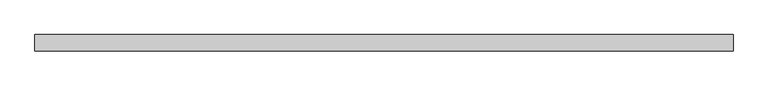
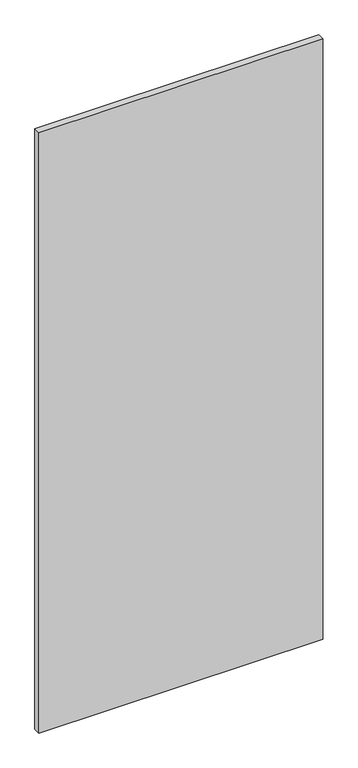
"""IFC4 building model written with IfcOpenShell, lengths in millimetres: plate geometry."""

from ifc_helpers import new_model, si_unit, origin, origin_with_axes, place, context, project, spatial, polyline, outline, extrude, source, transform, mapped, element, save


def plate_4e9cbeff(model_context):
    return source(origin(), model_context, "Body", "SweptSolid", [
        extrude(outline(polyline([(537.5, -12.5), (-537.5, -12.5), (-537.5, 12.5), (537.5, 12.5), (537.5, -12.5)])), origin_with_axes(), (0.0, 0.0, 1.0), 2403.1629157),
    ])


if __name__ == "__main__":
    model = new_model("IFC4")
    model_context = context("Model", 3, world=origin())
    ifc_project = project(units=[si_unit("LENGTHUNIT", "METRE", prefix="MILLI")], contexts=[model_context])
    site = spatial("IfcSite", under=ifc_project)
    building = spatial("IfcBuilding", under=site)
    placement = place(None, origin())
    plate_shape = plate_4e9cbeff(model_context)
    element("IfcPlate", 1, at=placement, inside=building, context=model_context, shape_type="MappedRepresentation", body=[
        mapped(plate_shape, transform((0.0, 0.0, 0.0), x_axis=(1.0, 0.0, 0.0), y_axis=(0.0, 1.0, 0.0), z_axis=(0.0, 0.0, 1.0))),
    ])
    save(model, "model.ifc")
